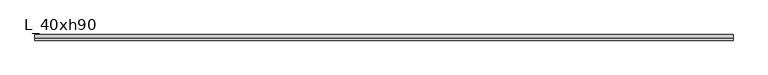
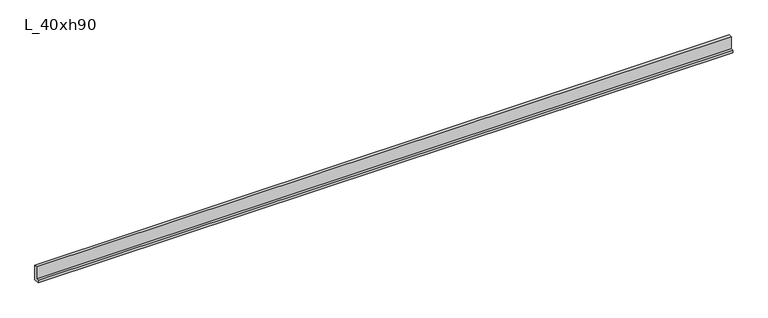
"""IFC4 building model written with IfcOpenShell, lengths in millimetres: beam geometry, L_40xh90."""

import ifcopenshell
import ifcopenshell.guid

model = None  # the IFC model being written
_history = None  # IfcOwnerHistory: only IFC2X3 demands one
_inside = {}  # id of a spatial element -> (the spatial element, [elements in it])
_under = {}  # id of a project, library or spatial element -> (it, [spatial elements below it])
_declared = {}  # id of a project -> (the project, [libraries it declares])
_typed = {}  # id of a type object -> (the type object, [elements of that type])
_made_of = {}  # id of a material, layer set ... -> (it, [elements and type objects made of it])


def new_model(schema):
    """Start an empty IFC model of exactly this schema.

    Asked for "IFC4X3", IfcOpenShell would pick the latest addendum, in which some entities
    have other attributes; the version numbers below select the first issue.
    IFC2X3 requires an IfcOwnerHistory on every rooted entity: one is made here for all.
    """
    global model, _history
    if schema == "IFC4X3":
        model = ifcopenshell.file(schema_version=(4, 3, 0, 0))
    else:
        model = ifcopenshell.file(schema=schema)
    _inside.clear()
    _under.clear()
    _declared.clear()
    _typed.clear()
    _made_of.clear()
    _history = None
    if model.schema == "IFC2X3":
        org = make("IfcOrganization", Name="unknown")
        user = make(
            "IfcPersonAndOrganization",
            ThePerson=make("IfcPerson", FamilyName="unknown"),
            TheOrganization=org,
        )
        app = make(
            "IfcApplication",
            ApplicationDeveloper=org,
            Version="unknown",
            ApplicationFullName="unknown",
            ApplicationIdentifier="unknown",
        )
        _history = make(
            "IfcOwnerHistory",
            OwningUser=user,
            OwningApplication=app,
            ChangeAction="ADDED",
            CreationDate=0,
        )
    return model


def make(cls, **values):
    """One entity of the class cls with the attributes given. An attribute that is None is left unset."""
    return model.create_entity(
        cls, **{name: value for name, value in values.items() if value is not None}
    )


def rooted(cls, **values):
    """An entity with a GlobalId (a new one), such as an element, a storey or a relation."""
    return make(cls, GlobalId=ifcopenshell.guid.new(), OwnerHistory=_history, **values)


def si_unit(unit_type, name, prefix=None):
    """IfcSIUnit, for example si_unit("LENGTHUNIT", "METRE", prefix="MILLI")."""
    return make("IfcSIUnit", UnitType=unit_type, Prefix=prefix, Name=name)


def assignment(units):
    """IfcUnitAssignment: the units of a project."""
    return None if units is None else make("IfcUnitAssignment", Units=units)


def point(xyz):
    """IfcCartesianPoint."""
    return None if xyz is None else make("IfcCartesianPoint", Coordinates=xyz)


def direction(xyz):
    """IfcDirection."""
    return None if xyz is None else make("IfcDirection", DirectionRatios=xyz)


def frame(location, z_axis=None, x_axis=None):
    """IfcAxis2Placement3D, a coordinate frame: its origin and axes. An axis left out is left unset."""
    return make(
        "IfcAxis2Placement3D",
        Location=point(location),
        Axis=direction(z_axis),
        RefDirection=direction(x_axis),
    )


def origin():
    """The frame at (0, 0, 0) with its axes left unset."""
    return frame((0.0, 0.0, 0.0))


def place(relative_to, where):
    """IfcLocalPlacement: puts the frame where relative to a parent placement (None: the world)."""
    return make(
        "IfcLocalPlacement", PlacementRelTo=relative_to, RelativePlacement=where
    )


def context(
    kind, dimensions, precision=None, world=None, true_north=None, identifier=None
):
    """IfcGeometricRepresentationContext, for example the 3D "Model" context."""
    return make(
        "IfcGeometricRepresentationContext",
        ContextIdentifier=identifier,
        ContextType=kind,
        CoordinateSpaceDimension=dimensions,
        Precision=precision,
        WorldCoordinateSystem=world,
        TrueNorth=true_north,
    )


def project(units=None, contexts=None):
    """IfcProject with its units and contexts."""
    return rooted(
        "IfcProject",
        Name="project",
        RepresentationContexts=contexts,
        UnitsInContext=assignment(units),
    )


def spatial(cls, under=None, at=None, **own):
    """A site, building, storey or space (cls), placed at a placement, below another one or the project."""
    s = rooted(cls, ObjectPlacement=at, **own)
    if under is not None:
        _under.setdefault(under.id(), (under, []))[1].append(s)
    return s


def polyline(points):
    """IfcPolyline through the points."""
    return make("IfcPolyline", Points=[point(p) for p in points])


def outline(outer, holes=None, kind="AREA"):
    """IfcArbitraryClosedProfileDef: a profile drawn as a closed curve; with holes, ...WithVoids."""
    if holes is None:
        return make("IfcArbitraryClosedProfileDef", ProfileType=kind, OuterCurve=outer)
    return make(
        "IfcArbitraryProfileDefWithVoids",
        ProfileType=kind,
        OuterCurve=outer,
        InnerCurves=holes,
    )


def extrude(swept, where, along, depth):
    """IfcExtrudedAreaSolid: the profile swept, set in the frame where, extruded along a direction by depth."""
    return make(
        "IfcExtrudedAreaSolid",
        SweptArea=swept,
        Position=where,
        ExtrudedDirection=direction(along),
        Depth=depth,
    )


def shape(context_of_items, identifier, shape_type, items):
    """IfcShapeRepresentation: the items that make up one representation, for example the "Body"."""
    return make(
        "IfcShapeRepresentation",
        ContextOfItems=context_of_items,
        RepresentationIdentifier=identifier,
        RepresentationType=shape_type,
        Items=items,
    )


def source(mapping_origin, context_of_items, identifier, shape_type, items):
    """IfcRepresentationMap: a shape defined once, which mapped items show again and again."""
    return make(
        "IfcRepresentationMap",
        MappingOrigin=mapping_origin,
        MappedRepresentation=shape(context_of_items, identifier, shape_type, items),
    )


def transform(
    local_origin,
    x_axis=None,
    y_axis=None,
    z_axis=None,
    scale=None,
    scale2=None,
    scale3=None,
    uniform=True,
):
    """IfcCartesianTransformationOperator3D, or its non-uniform kind. x_axis, y_axis, z_axis: its Axis1, 2, 3."""
    if uniform:
        return make(
            "IfcCartesianTransformationOperator3D",
            Axis1=direction(x_axis),
            Axis2=direction(y_axis),
            LocalOrigin=point(local_origin),
            Scale=scale,
            Axis3=direction(z_axis),
        )
    return make(
        "IfcCartesianTransformationOperator3DnonUniform",
        Axis1=direction(x_axis),
        Axis2=direction(y_axis),
        LocalOrigin=point(local_origin),
        Scale=scale,
        Axis3=direction(z_axis),
        Scale2=scale2,
        Scale3=scale3,
    )


def mapped(mapping_source, mapping_target):
    """IfcMappedItem: shows the shape of a source again, moved by a transform."""
    return make(
        "IfcMappedItem", MappingSource=mapping_source, MappingTarget=mapping_target
    )


def made_of(thing, what):
    """Note that an element or type object is made of a material, layer set ...; save() writes the relation."""
    if what is not None:
        _made_of.setdefault(what.id(), (what, []))[1].append(thing)
    return thing


def element(
    cls,
    number,
    at=None,
    inside=None,
    cuts=None,
    type_object=None,
    material=None,
    context=None,
    identifier="Body",
    shape_type=None,
    held_by="IfcProductDefinitionShape",
    body=None,
    shapes=None,
    **own,
):
    """One element of the class cls, such as IfcWall. Its Tag is "e" and its number.

    at: its placement. inside: the storey or other place that contains it. cuts: it is an
    opening in that element (IfcRelVoidsElement). A single representation is given by context,
    identifier, shape_type and body (its items); several are given by shapes. held_by: the class
    of the entity that holds the representations. save() writes the other relations.
    """
    e = rooted(cls, Tag="e%d" % number, ObjectPlacement=at, **own)
    if body is not None:
        shapes = [shape(context, identifier, shape_type, body)]
    if shapes is not None:
        e.Representation = make(held_by, Representations=shapes)
    if inside is not None:
        _inside.setdefault(inside.id(), (inside, []))[1].append(e)
    if cuts is not None:
        rooted(
            "IfcRelVoidsElement", RelatingBuildingElement=cuts, RelatedOpeningElement=e
        )
    if type_object is not None:
        _typed.setdefault(type_object.id(), (type_object, []))[1].append(e)
    return made_of(e, material)


def aggregate(whole, parts):
    """IfcRelAggregates: a whole, such as a stair, and the parts it consists of."""
    return rooted("IfcRelAggregates", RelatingObject=whole, RelatedObjects=parts)


def save(model, path):
    """Write the relations noted so far, then the file.

    IfcRelAggregates (storeys below a building ...), IfcRelContainedInSpatialStructure (elements
    in a storey), IfcRelDefinesByType, IfcRelAssociatesMaterial and IfcRelDeclares: one each for
    every whole, place, type object, material and project.
    """
    for whole, parts in _under.values():
        aggregate(whole, parts)
    for where, things in _inside.values():
        rooted(
            "IfcRelContainedInSpatialStructure",
            RelatedElements=things,
            RelatingStructure=where,
        )
    for kind, things in _typed.values():
        rooted("IfcRelDefinesByType", RelatedObjects=things, RelatingType=kind)
    for what, things in _made_of.values():
        rooted("IfcRelAssociatesMaterial", RelatedObjects=things, RelatingMaterial=what)
    for by, libraries in _declared.values():
        rooted("IfcRelDeclares", RelatingContext=by, RelatedDefinitions=libraries)
    model.write(path)


def l_40xh90_9aa68140(model_context):
    return source(origin(), model_context, "Body", "SweptSolid", [
        extrude(outline(polyline([(115.0, -100.0), (-285.0, -100.0), (-285.0, 100.0), (-105.0, 100.0), (-105.0, 1000.0), (115.0, 1000.0), (115.0, -100.0)])), frame((-24662.5, 0.0, 0.0), z_axis=(1.0, 0.0, 0.0), x_axis=(0.0, 1.0, 0.0)), (0.0, 0.0, 1.0), 49325.0),
    ])


if __name__ == "__main__":
    model = new_model("IFC4")
    model_context = context("Model", 3, world=origin())
    ifc_project = project(units=[si_unit("LENGTHUNIT", "METRE", prefix="MILLI")], contexts=[model_context])
    site = spatial("IfcSite", under=ifc_project)
    building = spatial("IfcBuilding", under=site)
    placement = place(None, origin())
    l_40xh90_shape = l_40xh90_9aa68140(model_context)
    element("IfcBeam", 1, ObjectType="L_40xh90", at=placement, inside=building, context=model_context, shape_type="MappedRepresentation", body=[
        mapped(l_40xh90_shape, transform((0.0, 0.0, 0.0), x_axis=(1.0, 0.0, 0.0), y_axis=(0.0, 1.0, 0.0), z_axis=(0.0, 0.0, 1.0))),
    ])
    save(model, "model.ifc")
